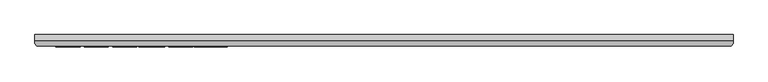
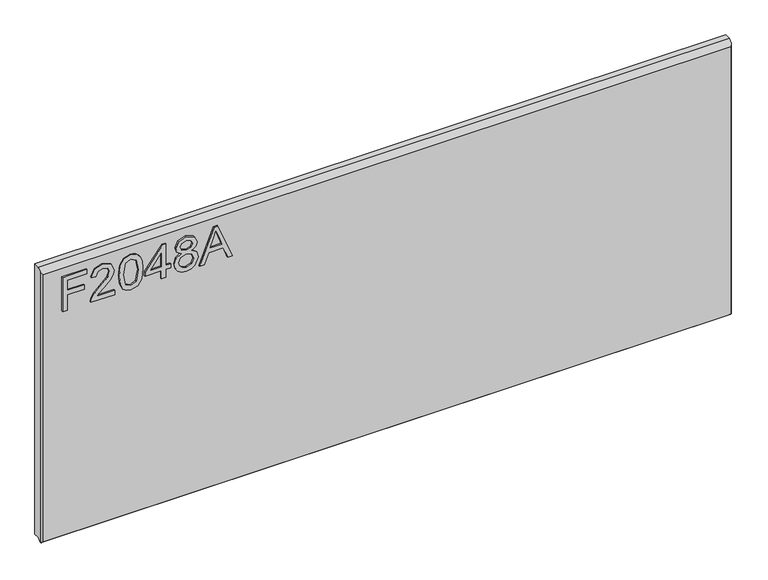
"""IFC4 building model written with IfcOpenShell, lengths in millimetres: furniture geometry."""

from ifc_helpers import new_model, si_unit, frame, origin, place, context, project, spatial, polyline, outline, extrude, faceted_brep, source, transform, mapped, element, save


def furniture_648b5082(model_context):
    return source(origin(), model_context, "Body", "SolidModel", [
        extrude(outline(polyline([(2030.5117188, -554.6436441), (2030.5117188, -546.6699245), (2059.4164524, -546.6699245), (2059.4164524, -516.7684759), (2067.390172, -516.7684759), (2067.390172, -546.6699245), (2086.3277561, -546.6699245), (2086.3277561, -511.7849011), (2094.3014757, -511.7849011), (2094.3014757, -554.6436441), (2030.5117188, -554.6436441)])), frame((0.0, -21.9273437, 0.0), z_axis=(0.0, 1.0, 0.0), x_axis=(0.0, 0.0, 1.0)), (0.0, 0.0, 1.0), 2.38125),
        extrude(outline(polyline([(2038.4854384, -462.9458685), (2038.4854384, -494.2645211), (2042.5423797, -490.6670031), (2050.2124127, -481.4941108), (2061.137343, -470.070823), (2068.9553259, -465.3597875), (2076.5163433, -463.9425834), (2089.1933116, -469.1986974), (2094.3014757, -483.471967), (2089.7072427, -497.6985156), (2076.3606066, -503.8111815), (2075.3638916, -495.8374619), (2083.4154796, -492.4813358), (2086.3277561, -483.6432774), (2083.3453981, -475.1634135), (2076.0335595, -471.916303), (2067.0008302, -475.3580844), (2053.7164887, -489.1252096), (2044.4735149, -499.1079328), (2036.0092247, -503.9513445), (2030.5117188, -504.8078965), (2030.5117188, -462.9458685), (2038.4854384, -462.9458685)])), frame((0.0, -21.9273437, 0.0), z_axis=(0.0, 1.0, 0.0), x_axis=(0.0, 0.0, 1.0)), (0.0, 0.0, 1.0), 2.38125),
        extrude(outline(polyline([(2061.8926661, -454.9721488), (2046.3773962, -453.3836344), (2035.5887355, -448.618091), (2031.0334367, -442.3263279), (2029.5150038, -434.0411348), (2033.011293, -422.3686683), (2043.616963, -415.4305978), (2061.8926661, -413.1101208), (2076.8823245, -414.5584723), (2086.3199692, -418.2961533), (2092.2457511, -424.7280795), (2094.3014757, -434.0411348), (2090.828547, -445.6668803), (2080.2462375, -452.6283113), (2061.8926661, -454.9721488)]), holes=[polyline([(2061.9082397, -446.9984292), (2082.0605702, -443.1361588), (2086.3277561, -434.1345769), (2081.4843444, -424.6969322), (2061.9082397, -421.0838405), (2042.1218906, -424.8215215), (2037.4887234, -434.0411348), (2042.1063169, -443.2607482), (2061.9082397, -446.9984292)])]), frame((0.0, -21.9273437, 0.0), z_axis=(0.0, 1.0, 0.0), x_axis=(0.0, 0.0, 1.0)), (0.0, 0.0, 1.0), 2.38125),
        extrude(outline(polyline([(2030.5117188, -380.2185274), (2030.5117188, -372.2448078), (2045.462443, -372.2448078), (2045.462443, -364.2710882), (2053.4361627, -364.2710882), (2053.4361627, -372.2448078), (2093.3047607, -372.2448078), (2093.3047607, -378.2250975), (2053.4361627, -409.123261), (2045.462443, -409.123261), (2045.462443, -380.2185274), (2030.5117188, -380.2185274)]), holes=[polyline([(2053.4361627, -380.2185274), (2053.4361627, -399.3118482), (2078.0737104, -380.2185274), (2053.4361627, -380.2185274)])]), frame((0.0, -21.9273438, 0.0), z_axis=(0.0, 1.0, 0.0), x_axis=(0.0, 0.0, 1.0)), (0.0, 0.0, 1.0), 2.38125),
        extrude(outline(polyline([(2065.6459208, -345.6761249), (2059.8525152, -354.2727913), (2049.2935661, -357.2940835), (2041.5359312, -355.8535189), (2035.1760333, -351.5318252), (2030.9302612, -344.8585071), (2029.5150038, -336.3630695), (2030.924421, -327.8676319), (2035.1526727, -321.1943138), (2049.0755347, -315.4320555), (2059.3930919, -318.3365452), (2065.6459208, -326.8164091), (2070.5749877, -319.7537493), (2078.089284, -317.4254854), (2089.5826533, -322.6582389), (2094.3014757, -336.4720852), (2089.691669, -350.1613421), (2078.3073154, -355.3006536), (2070.5983482, -352.9412424), (2065.6459208, -345.6761249)]), holes=[polyline([(2078.0737104, -347.326934), (2083.8982634, -344.4535917), (2086.3277561, -336.3630695), (2083.8437555, -328.2959079), (2077.7155159, -325.3992051), (2071.7975209, -328.2024659), (2069.3836019, -336.2696275), (2071.8130946, -344.5003127), (2078.0737104, -347.326934)]), polyline([(2049.5738922, -349.3203639), (2058.0303956, -345.9486641), (2061.4098823, -336.5655272), (2057.9836746, -326.9098511), (2049.3247135, -323.4057751), (2040.8292759, -326.8008355), (2037.4887234, -336.3007748), (2039.0772379, -343.2777795), (2043.570242, -347.988815), (2049.5738922, -349.3203639)])]), frame((0.0, -21.9273437, 0.0), z_axis=(0.0, 1.0, 0.0), x_axis=(0.0, 0.0, 1.0)), (0.0, 0.0, 1.0), 2.38125),
        extrude(outline(polyline([(2030.5117188, -312.8935471), (2030.5117188, -304.4681911), (2050.4460178, -297.179713), (2050.4460178, -270.9069298), (2030.5117188, -263.602878), (2030.5117188, -255.1775219), (2094.3014757, -280.6404742), (2094.3014757, -287.4305948), (2030.5117188, -312.8935471)]), holes=[polyline([(2058.4197374, -294.2518628), (2075.4729073, -288.0068207), (2086.3277561, -284.0355345), (2074.1024242, -279.5658909), (2058.4197374, -273.8192063), (2058.4197374, -294.2518628)])]), frame((0.0, -21.9273437, 0.0), z_axis=(0.0, 1.0, 0.0), x_axis=(0.0, 0.0, 1.0)), (0.0, 0.0, 1.0), 2.38125),
        faceted_brep([(628.3377049, 0.0, 2119.4117187), (-590.8622951, 0.0, 2119.4117187), (-590.8622951, -10.0314449, 2119.4117187), (628.3377049, -10.0314449, 2119.4117187), (-590.8622951, 0.0, 1614.884375), (628.3377049, 0.0, 1614.884375), (628.3377049, -10.0314449, 1614.884375), (-590.8622951, -10.0314449, 1614.884375), (-590.8622951, -15.7726273, 1609.1431927), (-590.8622951, -15.7726273, 2113.6705364), (-587.6959807, -19.5460937, 1611.709375), (625.1713906, -19.5460937, 1611.709375), (625.1713906, -19.5460937, 2109.8970699), (-587.6959807, -19.5460937, 2109.8970699), (628.3377049, -15.7726273, 2113.6705364), (628.3377049, -15.7726273, 1609.1431927), (-590.3514364, -16.3814449, 1608.534375), (627.8268462, -16.3814449, 1608.534375)], [[[0, 1, 2, 3]], [[4, 5, 6, 7]], [[1, 4, 7, 8, 9, 2]], [[10, 11, 12, 13]], [[5, 0, 3, 14, 15, 6]], [[1, 0, 5, 4]], [[11, 10, 16, 17]], [[7, 6, 15, 17, 16, 8]], [[3, 2, 9, 13, 12, 14]], [[9, 8, 16, 10, 13]], [[12, 11, 17, 15, 14]]]),
    ])


if __name__ == "__main__":
    model = new_model("IFC4")
    model_context = context("Model", 3, world=origin())
    ifc_project = project(units=[si_unit("LENGTHUNIT", "METRE", prefix="MILLI")], contexts=[model_context])
    site = spatial("IfcSite", under=ifc_project)
    building = spatial("IfcBuilding", under=site)
    placement = place(None, origin())
    furniture_shape = furniture_648b5082(model_context)
    element("IfcFurniture", 1, at=placement, inside=building, context=model_context, shape_type="MappedRepresentation", body=[
        mapped(furniture_shape, transform((0.0, 0.0, 0.0), x_axis=(1.0, 0.0, 0.0), y_axis=(0.0, 1.0, 0.0), z_axis=(0.0, 0.0, 1.0))),
    ])
    save(model, "model.ifc")
